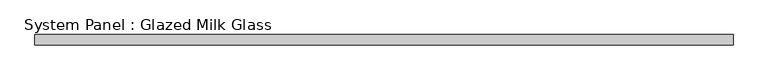
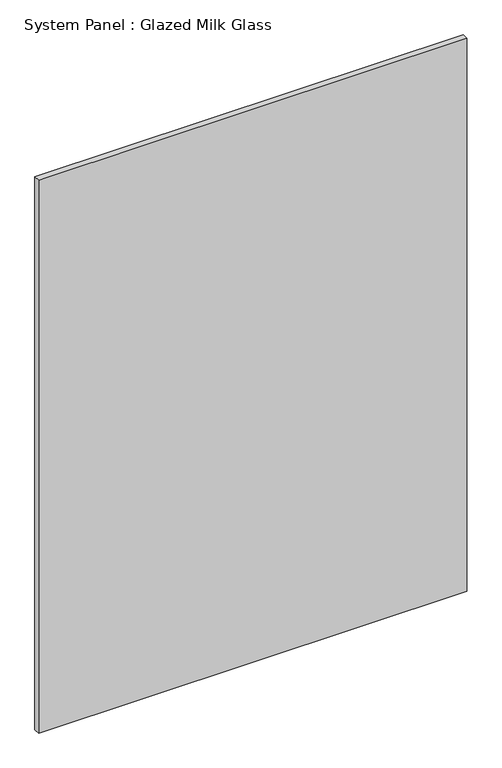
"""IFC4 building model written with IfcOpenShell, lengths in millimetres: plate geometry, System Panel : Glazed Milk Glass."""

from ifc_helpers import new_model, si_unit, origin, origin_with_axes, place, context, project, spatial, polyline, outline, extrude, source, transform, mapped, element, save


def system_panel_glazed_milk_glass_924099e2(model_context):
    return source(origin(), model_context, "Body", "SweptSolid", [
        extrude(outline(polyline([(859.8242176, -12.5), (-859.8242176, -12.5), (-859.8242176, 12.5), (859.8242176, 12.5), (859.8242176, -12.5)])), origin_with_axes(), (0.0, 0.0, 1.0), 2347.5975375),
    ])


if __name__ == "__main__":
    model = new_model("IFC4")
    model_context = context("Model", 3, world=origin())
    ifc_project = project(units=[si_unit("LENGTHUNIT", "METRE", prefix="MILLI")], contexts=[model_context])
    site = spatial("IfcSite", under=ifc_project)
    building = spatial("IfcBuilding", under=site)
    placement = place(None, origin())
    system_panel_glazed_milk_glass_shape = system_panel_glazed_milk_glass_924099e2(model_context)
    element("IfcPlate", 1, ObjectType="System Panel : Glazed Milk Glass", at=placement, inside=building, context=model_context, shape_type="MappedRepresentation", body=[
        mapped(system_panel_glazed_milk_glass_shape, transform((0.0, 0.0, 0.0), x_axis=(1.0, 0.0, 0.0), y_axis=(0.0, 1.0, 0.0), z_axis=(0.0, 0.0, 1.0))),
    ])
    save(model, "model.ifc")
